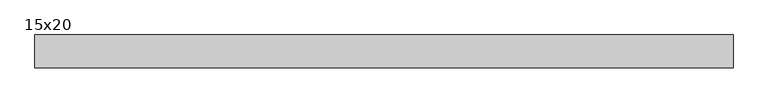
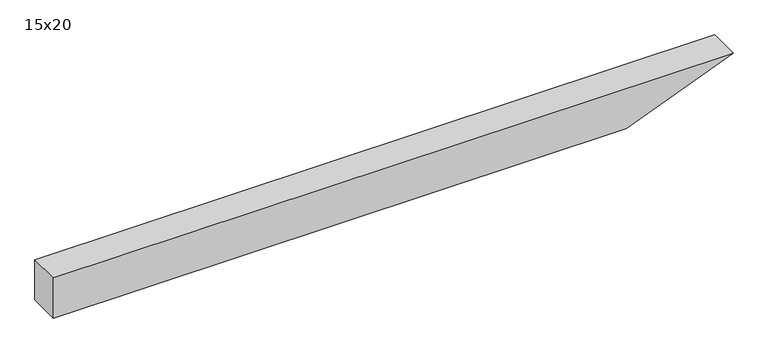
"""IFC4 building model written with IfcOpenShell, lengths in millimetres: beam geometry, 15x20."""

from ifc_helpers import new_model, si_unit, frame, origin, place, context, project, spatial, polyline, outline, extrude, source, transform, mapped, element, save


def beam_15x20_48919852(model_context):
    return source(origin(), model_context, "Body", "SweptSolid", [
        extrude(outline(polyline([(100.0, -1442.5), (-100.0, -1442.5), (-100.0, 1254.3), (100.0, 1756.5), (100.0, -1442.5)])), frame((0.0, -75.0, 0.0), z_axis=(0.0, 1.0, 0.0), x_axis=(0.0, 0.0, 1.0)), (0.0, 0.0, 1.0), 150.0),
    ])


if __name__ == "__main__":
    model = new_model("IFC4")
    model_context = context("Model", 3, world=origin())
    ifc_project = project(units=[si_unit("LENGTHUNIT", "METRE", prefix="MILLI")], contexts=[model_context])
    site = spatial("IfcSite", under=ifc_project)
    building = spatial("IfcBuilding", under=site)
    placement = place(None, origin())
    beam_15x20_shape = beam_15x20_48919852(model_context)
    element("IfcBeam", 1, ObjectType="15x20", at=placement, inside=building, context=model_context, shape_type="MappedRepresentation", body=[
        mapped(beam_15x20_shape, transform((0.0, 0.0, 0.0), x_axis=(1.0, 0.0, 0.0), y_axis=(0.0, 1.0, 0.0), z_axis=(0.0, 0.0, 1.0))),
    ])
    save(model, "model.ifc")
